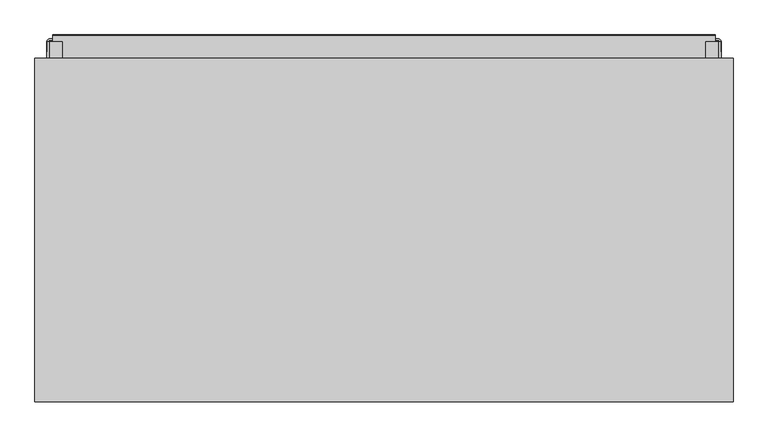
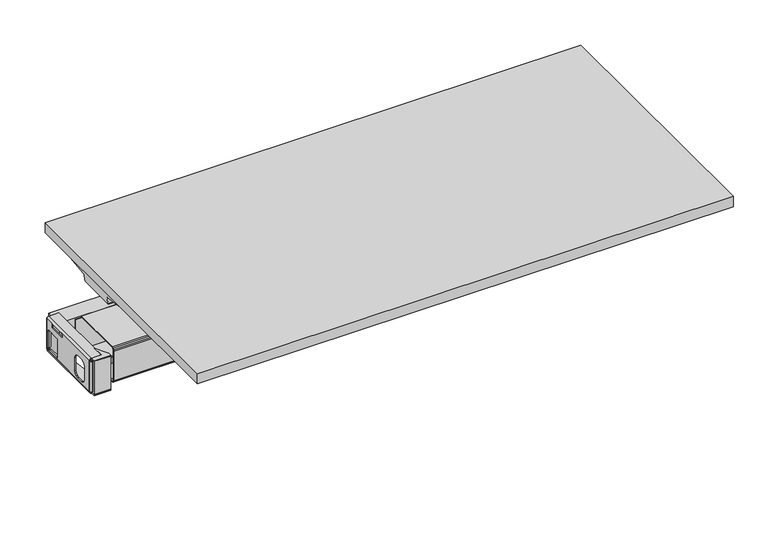
"""IFC4 building model written with IfcOpenShell, lengths in millimetres: furniture geometry."""

from ifc_helpers import new_model, si_unit, point, frame, frame_2d, origin, place, context, project, spatial, polyline, circle_curve, ellipse_curve, trimmed, segment, composite_curve, outline, extrude, faceted_brep, source, transform, mapped, element, save
from ifc_brep_helpers import plane_surface, cylinder_surface, revolved_surface, advanced_brep


def furniture_97304215(model_context):
    return source(origin(), model_context, "Body", "SolidModel", [
        extrude(outline(polyline([(-658.841779, 190.7095568), (-658.841779, 178.7817238), (-703.8625347, 178.7817238), (-703.8625347, 190.7095568), (-658.841779, 190.7095568)])), frame((0.0, 0.0, 331.8001879), z_axis=(0.0, 0.0, 1.0), x_axis=(1.0, 0.0, 0.0)), (0.0, 0.0, 1.0), 2.6573806),
        extrude(outline(polyline([(-658.841779, 184.877718), (-658.841779, 178.7817238), (-703.8625347, 178.7817238), (-703.8625347, 184.877718), (-658.841779, 184.877718)])), frame((0.0, 0.0, 334.4570388), z_axis=(0.0, 0.0, 1.0), x_axis=(1.0, 0.0, 0.0)), (0.0, 0.0, 1.0), 96.2863103),
        extrude(outline(polyline([(-677.8917495, 222.9777362), (-658.841779, 187.5346238), (-658.841779, 178.7817238), (-703.8625347, 178.7817238), (-703.8625347, 190.7095568), (-677.8917495, 190.7095568), (-677.8917495, 222.9777362)])), frame((0.0, 0.0, 430.7433491), z_axis=(0.0, 0.0, 1.0), x_axis=(1.0, 0.0, 0.0)), (0.0, 0.0, 1.0), 2.6568509),
        extrude(outline(composite_curve([segment(trimmed(circle_curve(frame_2d((-703.9203589, 190.7095591)), 5.8318411), [point((-703.9203589, 184.877718))], [point((-709.7522, 190.7095591))], False, "CARTESIAN"), True, "CONTINUOUS"), segment(polyline([(-709.7522, 190.7095591), (-707.0954605, 190.7095591)]), True, "CONTINUOUS"), segment(trimmed(circle_curve(frame_2d((-703.9204249, 190.7095955)), 3.1750357), [point((-707.0954605, 190.7095591))], [point((-703.8505628, 187.5353285))], True, "CARTESIAN"), True, "CONTINUOUS"), segment(polyline([(-703.8505628, 187.5353285), (-658.952203, 187.5353285), (-658.952203, 184.877718), (-703.9203589, 184.877718)]), True, "CONTINUOUS")], self_intersect=False)), frame((0.0, 0.0, 339.4201806), z_axis=(0.0, 0.0, 1.0), x_axis=(1.0, 0.0, 0.0)), (0.0, 0.0, 1.0), 87.8941627),
        advanced_brep(
        [(707.1037248, 190.7095568, 337.6320267), (703.870799, 190.7095568, 334.4575685), (659.8093006, 190.7095568, 334.4575685), (659.8093006, 190.7095568, 331.8001879), (703.9286255, 190.7095568, 331.8001879), (709.7604643, 190.7095568, 337.6320267), (707.1037248, 391.9061007, 337.6320267), (709.7604643, 391.9061007, 337.6320267), (703.9286255, 391.9061007, 331.8001879), (684.7848824, 391.9061007, 331.8001879), (684.7848824, 391.9061007, 334.4575685), (703.870799, 391.9061007, 334.4575685), (659.8086941, 191.4817994, 334.4575685), (659.8093006, 191.4866666, 331.8001879)],
        [
            (0, 1, circle_curve(frame((703.9287904, 190.7095568, 337.6319732), z_axis=(0.0, 1.0, 0.0), x_axis=(1.0, 0.0, 0.0)), 3.1749345)),
            (1, 2),
            (2, 3),
            (3, 4),
            (4, 5, circle_curve(frame((703.9286255, 190.7095568, 337.6320267), z_axis=(0.0, -1.0, 0.0), x_axis=(1.0, 0.0, 0.0)), 5.8318388)),
            (5, 0),
            (6, 7),
            (7, 8, circle_curve(frame((703.9286255, 391.9061007, 337.6320267), z_axis=(0.0, 1.0, 0.0), x_axis=(1.0, 0.0, 0.0)), 5.8318388)),
            (8, 9),
            (9, 10),
            (10, 11),
            (11, 6, circle_curve(frame((703.9287904, 391.9061007, 337.6319732), z_axis=(0.0, -1.0, 0.0), x_axis=(1.0, 0.0, 0.0)), 3.1749345)),
            (0, 6),
            (11, 1),
            (10, 12),
            (12, 2),
            (12, 13),
            (13, 3),
            (13, 9),
            (8, 4),
            (7, 5),
        ],
        [
            plane_surface(frame((707.1037248, 190.7095568, 337.6319732), z_axis=(0.0, -1.0, 0.0), x_axis=(0.0, 0.0, -1.0))),
            plane_surface(frame((707.1037248, 391.9061007, 337.6319732), z_axis=(0.0, 1.0, 0.0), x_axis=(0.0, 0.0, 1.0))),
            revolved_surface(polyline([(707.1037249, 391.9061007, 337.6319732), (707.1037249, 190.7095568, 337.6319732)]), (703.9287904, 391.9061007, 337.6319732), (0.0, 1.0, 0.0)),
            plane_surface(frame((703.870799, 190.7095568, 334.4575685), z_axis=(0.0, 0.0, 1.0), x_axis=(0.0, 1.0, 0.0))),
            plane_surface(frame((659.8093006, 190.7095568, 334.4575685), z_axis=(-1.0, 0.0, 0.0), x_axis=(0.0, 1.0, 0.0))),
            plane_surface(frame((659.8093006, 190.7095568, 331.8001879), z_axis=(0.0, 0.0, -1.0), x_axis=(0.0, 1.0, 0.0))),
            cylinder_surface(frame((703.9286255, 391.9061007, 337.6320267), z_axis=(0.0, -1.0, 0.0), x_axis=(1.0, 0.0, 0.0)), 5.8318388),
            plane_surface(frame((709.7604643, 190.7095568, 337.6320267), z_axis=(0.0, 0.0, 1.0), x_axis=(0.0, 1.0, 0.0))),
            plane_surface(frame((659.8086846, 191.4817238, 351.9888528), z_axis=(-0.9923246355260705, 0.1236600894713063, 0.0), x_axis=(0.0, 0.0, -1.0))),
        ],
        [
            (0, [[1, 2, 3, 4, 5, 6]]),
            (1, [[7, 8, 9, 10, 11, 12]]),
            (2, [[-1, 13, -12, 14]]),
            (3, [[-2, -14, -11, 15, 16]]),
            (4, [[-3, -16, 17, 18]]),
            (5, [[-4, -18, 19, -9, 20]]),
            (6, [[-5, -20, -8, 21]]),
            (7, [[-6, -21, -7, -13]]),
            (8, [[-10, -19, -17, -15]]),
        ],
    ),
        extrude(outline(polyline([(703.8774253, 190.7095568), (703.8774253, 178.7817238), (658.9092398, 178.7817238), (658.9092398, 190.7095568), (703.8774253, 190.7095568)])), frame((0.0, 0.0, 331.8001879), z_axis=(0.0, 0.0, 1.0), x_axis=(1.0, 0.0, 0.0)), (0.0, 0.0, 1.0), 2.6568509),
        extrude(outline(polyline([(703.8774253, 184.877718), (703.8774253, 178.7817238), (658.9092398, 178.7817238), (658.9092398, 184.877718), (703.8774253, 184.877718)])), frame((0.0, 0.0, 334.4570388), z_axis=(0.0, 0.0, 1.0), x_axis=(1.0, 0.0, 0.0)), (0.0, 0.0, 1.0), 96.2863103),
        extrude(outline(polyline([(677.9592398, 222.9777362), (677.9592398, 190.7095568), (703.8774253, 190.7095568), (703.8774253, 178.7817238), (658.9092398, 178.7817238), (658.9092398, 187.5345689), (677.9592398, 222.9777362)])), frame((0.0, 0.0, 430.7433491), z_axis=(0.0, 0.0, 1.0), x_axis=(1.0, 0.0, 0.0)), (0.0, 0.0, 1.0), 2.6568509),
        extrude(outline(composite_curve([segment(polyline([(703.9286983, 184.877718), (658.9092398, 184.877718), (658.9092398, 187.5353285), (703.8589022, 187.5353285)]), True, "CONTINUOUS"), segment(trimmed(circle_curve(frame_2d((703.9287643, 190.7095955)), 3.1750357), [point((703.8589022, 187.5353285))], [point((707.1038, 190.7095591))], True, "CARTESIAN"), True, "CONTINUOUS"), segment(polyline([(707.1038, 190.7095591), (709.7605394, 190.7095591)]), True, "CONTINUOUS"), segment(trimmed(circle_curve(frame_2d((703.9286983, 190.7095591)), 5.8318411), [point((709.7605394, 190.7095591))], [point((703.9286983, 184.877718))], False, "CARTESIAN"), True, "CONTINUOUS")], self_intersect=False)), frame((0.0, 0.0, 339.4201806), z_axis=(0.0, 0.0, 1.0), x_axis=(1.0, 0.0, 0.0)), (0.0, 0.0, 1.0), 87.8941627),
        faceted_brep([(654.3675, 229.6591159, 385.2570143), (654.3675, 260.1814489, 343.1369959), (654.3675, 267.6427576, 336.7524292), (654.3675, 277.2971731, 334.5235318), (654.3675, 356.2960604, 334.5235318), (654.3675, 356.2960604, 428.0203322), (654.3675, 355.3714008, 428.0203322), (654.3675, 355.3714008, 335.9759504), (654.3675, 277.5568227, 335.9759504), (654.3675, 268.3331679, 338.105399), (654.3675, 261.4113974, 344.0282932), (654.3675, 230.8890708, 386.1483029), (-654.3548, 229.6591159, 385.2570143), (-654.3548, 230.8890708, 386.1483029), (-654.3548, 261.4113974, 344.0282932), (-654.3548, 268.3331679, 338.105399), (-654.3548, 277.5568227, 335.9759504), (-654.3548, 355.3714008, 335.9759504), (-654.3548, 355.3714008, 428.0203322), (-654.3548, 356.2960604, 428.0203322), (-654.3548, 356.2960604, 334.5235318), (-654.3548, 277.2971731, 334.5235318), (-654.3548, 267.6427576, 336.7524292), (-654.3548, 260.1814489, 343.1369959), (305.1048242, 355.3714008, 428.0203322), (305.1048242, 355.6263248, 428.0203322), (349.5548, 355.6263248, 428.0203322), (349.5548, 355.3714008, 428.0203322), (349.5548, 355.3714008, 354.6876391), (305.1048242, 355.3714008, 354.6876391), (349.5548, 355.6263248, 354.6876391), (305.1048242, 355.6263248, 354.6876391)], [[[0, 1, 2, 3, 4, 5, 6, 7, 8, 9, 10, 11]], [[12, 13, 14, 15, 16, 17, 18, 19, 20, 21, 22, 23]], [[1, 0, 12, 23]], [[2, 1, 23, 22]], [[3, 2, 22, 21]], [[4, 3, 21, 20]], [[5, 4, 20, 19]], [[6, 5, 19, 18, 24, 25, 26, 27]], [[7, 6, 27, 28, 29, 24, 18, 17]], [[8, 7, 17, 16]], [[9, 8, 16, 15]], [[10, 9, 15, 14]], [[11, 10, 14, 13]], [[0, 11, 13, 12]], [[30, 31, 29, 28]], [[30, 28, 27, 26]], [[31, 30, 26, 25]], [[29, 31, 25, 24]]]),
        advanced_brep(
        [(-707.0954605, 190.7095568, 337.6320267), (-709.7522, 190.7095568, 337.6320267), (-703.9203612, 190.7095568, 331.8001879), (-659.7115774, 190.7095568, 331.8001879), (-659.7115774, 190.7095568, 334.4575685), (-703.8625347, 190.7095568, 334.4575685), (-707.0954605, 391.9061007, 337.6320267), (-703.8625347, 391.9061007, 334.4575685), (-684.784, 391.9061007, 334.4575685), (-684.784, 391.9061007, 331.8001879), (-703.9203612, 391.9061007, 331.8001879), (-709.7522, 391.9061007, 337.6320267)],
        [
            (0, 1),
            (1, 2, circle_curve(frame((-703.9203612, 190.7095568, 337.6320267), z_axis=(0.0, -1.0, 0.0), x_axis=(1.0, 0.0, 0.0)), 5.8318388)),
            (2, 3),
            (3, 4),
            (4, 5),
            (5, 0, circle_curve(frame((-703.9205261, 190.7095568, 337.6319732), z_axis=(0.0, 1.0, 0.0), x_axis=(1.0, 0.0, 0.0)), 3.1749345)),
            (6, 7, circle_curve(frame((-703.9205261, 391.9061007, 337.6319732), z_axis=(0.0, -1.0, 0.0), x_axis=(1.0, 0.0, 0.0)), 3.1749345)),
            (7, 8),
            (8, 9),
            (9, 10),
            (10, 11, circle_curve(frame((-703.9203612, 391.9061007, 337.6320267), z_axis=(0.0, 1.0, 0.0), x_axis=(1.0, 0.0, 0.0)), 5.8318388)),
            (11, 6),
            (5, 7),
            (6, 0),
            (4, 8),
            (2, 10),
            (9, 3),
            (1, 11),
        ],
        [
            plane_surface(frame((-709.7522, 190.7095568, 337.6320267), z_axis=(0.0, -1.0, 0.0), x_axis=(-1.0, 0.0, 0.0))),
            plane_surface(frame((-709.7522, 391.9061007, 337.6320267), z_axis=(0.0, 1.0, 0.0), x_axis=(1.0, 0.0, 0.0))),
            revolved_surface(polyline([(-700.7455916, 391.9061007, 337.6319732), (-700.7455916, 190.7095568, 337.6319732)]), (-703.9205261, 391.9061007, 337.6319732), (0.0, 1.0, 0.0)),
            plane_surface(frame((-654.3548, 190.7095568, 334.4575685), z_axis=(0.0, 0.0, 1.0), x_axis=(0.0, 1.0, 0.0))),
            plane_surface(frame((-703.9203612, 190.7095568, 331.8001879), z_axis=(0.0, 0.0, -1.0), x_axis=(0.0, 1.0, 0.0))),
            cylinder_surface(frame((-703.9203612, 391.9061007, 337.6320267), z_axis=(0.0, -1.0, 0.0), x_axis=(1.0, 0.0, 0.0)), 5.8318388),
            plane_surface(frame((-707.0954605, 190.7095568, 337.6320267), z_axis=(0.0, 0.0, 1.0), x_axis=(0.0, 1.0, 0.0))),
            plane_surface(frame((-684.784, 391.9061007, 351.9888528), z_axis=(0.9923246355260688, 0.12366008947131998, 0.0), x_axis=(0.0, 0.0, -1.0))),
        ],
        [
            (0, [[1, 2, 3, 4, 5, 6]]),
            (1, [[7, 8, 9, 10, 11, 12]]),
            (2, [[-6, 13, -7, 14]]),
            (3, [[-13, -5, 15, -8]]),
            (4, [[16, -10, 17, -3]]),
            (5, [[-2, 18, -11, -16]]),
            (6, [[-1, -14, -12, -18]]),
            (7, [[-4, -17, -9, -15]]),
        ],
    ),
        extrude(outline(polyline([(324.6251657, 427.3143433), (318.7432813, 423.6948694), (318.7432813, 418.2338656), (322.7691802, 414.2079485), (370.4292605, 414.2079485), (370.4292605, 427.3143433), (391.9061007, 427.3143433), (391.9061007, 337.6320267), (190.7095568, 337.6320267), (190.7095568, 427.3143433), (324.6251657, 427.3143433)]), holes=[polyline([(215.6713932, 357.2002), (217.37287, 350.8501879), (222.0213871, 346.2016708), (228.3713992, 344.5002121), (247.4213992, 344.5002121), (253.7713932, 346.2016708), (258.4199194, 350.8501879), (260.1213962, 357.2002), (260.1213962, 395.3002), (258.4199194, 401.6502121), (253.7713932, 406.2987292), (247.4213992, 408.0001879), (228.3713992, 408.0001879), (222.0213871, 406.2987292), (217.37287, 401.6502121), (215.6713932, 395.3002), (215.6713932, 357.2002)]), polyline([(387.8579954, 345.3251981), (387.8579954, 394.4751777), (387.3220975, 396.475201), (385.8579954, 397.9392831), (383.8579955, 398.4751879), (347.4079947, 398.4751879), (345.4079964, 397.9392831), (343.9438938, 396.475201), (343.4079958, 394.4751777), (343.4079958, 345.3251981), (343.9438938, 343.3252112), (345.4079964, 341.8610927), (347.4079947, 341.3251879), (383.8579955, 341.3251879), (385.8579954, 341.8610927), (387.3220975, 343.3252112), (387.8579954, 345.3251981)])]), frame((-709.7522, 0.0, 0.0), z_axis=(1.0, 0.0, 0.0), x_axis=(0.0, 1.0, 0.0)), (0.0, 0.0, 1.0), 2.667),
        extrude(outline(composite_curve([segment(trimmed(circle_curve(frame_2d((427.220578, -703.5629571)), 6.1899531), [point((433.4002, -703.9204363))], [point((427.3143433, -709.7522))], False, "CARTESIAN"), True, "CONTINUOUS"), segment(polyline([(427.3143433, -709.7522), (427.3143433, -707.1256748)]), True, "CONTINUOUS"), segment(trimmed(circle_curve(frame_2d((427.2937554, -703.6761426)), 3.4495937), [point((427.3143433, -707.1256748))], [point((430.7433491, -703.6761426))], True, "CARTESIAN"), True, "CONTINUOUS"), segment(polyline([(430.7433491, -703.6761426), (430.7433491, -677.8917495), (433.4002, -677.8917495), (433.4002, -703.9204363)]), True, "CONTINUOUS")], self_intersect=False)), frame((0.0, 190.7095568, 0.0), z_axis=(0.0, 1.0, 0.0), x_axis=(0.0, 0.0, 1.0)), (0.0, 0.0, 1.0), 201.1965439),
        extrude(outline(composite_curve([segment(polyline([(-703.9203589, 397.7379417), (-666.9118668, 397.7379417), (-666.9118668, 395.0803312), (-703.8505628, 395.0803312)]), True, "CONTINUOUS"), segment(trimmed(circle_curve(frame_2d((-703.9204249, 391.9060643)), 3.1750357), [point((-703.8505628, 395.0803312))], [point((-707.0954605, 391.9061007))], True, "CARTESIAN"), True, "CONTINUOUS"), segment(polyline([(-707.0954605, 391.9061007), (-709.7522, 391.9061007)]), True, "CONTINUOUS"), segment(trimmed(circle_curve(frame_2d((-703.9203589, 391.9061007)), 5.8318411), [point((-709.7522, 391.9061007))], [point((-703.9203589, 397.7379417))], False, "CARTESIAN"), True, "CONTINUOUS")], self_intersect=False)), frame((0.0, 0.0, 339.4201806), z_axis=(0.0, 0.0, 1.0), x_axis=(1.0, 0.0, 0.0)), (0.0, 0.0, 1.0), 87.8941627),
        extrude(outline(polyline([(324.6251657, 427.3143433), (318.7432813, 423.6948694), (318.7432813, 418.2338656), (322.7691802, 414.2079485), (370.4292605, 414.2079485), (370.4292605, 427.3143433), (391.9061007, 427.3143433), (391.9061007, 337.6320267), (190.7095568, 337.6320267), (190.7095568, 427.3143433), (324.6251657, 427.3143433)]), holes=[polyline([(215.6713932, 357.2002), (217.37287, 350.8501879), (222.0213871, 346.2016708), (228.3713992, 344.5002121), (247.4213992, 344.5002121), (253.7713932, 346.2016708), (258.4199194, 350.8501879), (260.1213962, 357.2002), (260.1213962, 395.3002), (258.4199194, 401.6502121), (253.7713932, 406.2987292), (247.4213992, 408.0001879), (228.3713992, 408.0001879), (222.0213871, 406.2987292), (217.37287, 401.6502121), (215.6713932, 395.3002), (215.6713932, 357.2002)]), polyline([(387.8579954, 345.3251981), (387.8579954, 394.4751777), (387.3220975, 396.475201), (385.8579954, 397.9392831), (383.8579955, 398.4751879), (347.4079947, 398.4751879), (345.4079964, 397.9392831), (343.9438938, 396.475201), (343.4079958, 394.4751777), (343.4079958, 345.3251981), (343.9438938, 343.3252112), (345.4079964, 341.8610927), (347.4079947, 341.3251879), (383.8579955, 341.3251879), (385.8579954, 341.8610927), (387.3220975, 343.3252112), (387.8579954, 345.3251981)])]), frame((707.1037248, 0.0, 0.0), z_axis=(1.0, 0.0, 0.0), x_axis=(0.0, 1.0, 0.0)), (0.0, 0.0, 1.0), 2.6568146),
        faceted_brep([(637.0137238, 208.939137, 330.5571315), (637.0137238, 218.8324284, 330.5571315), (637.0137238, 218.8324284, 331.8001879), (637.0137238, 208.8500925, 331.8001879), (637.0137238, 205.7641309, 332.6270633), (637.0137238, 203.4398723, 334.95134), (637.0137238, 202.5891249, 338.1263279), (637.0137238, 202.5891249, 423.6821522), (637.0137238, 203.4398723, 426.8571401), (637.0137238, 205.7641309, 429.1814168), (637.0137238, 208.939137, 430.0321643), (637.0137238, 355.3701336, 430.0321643), (637.0137238, 355.3701336, 431.2513486), (637.0137238, 208.939137, 431.2513486), (637.0137238, 205.1545388, 430.2372753), (637.0137238, 202.3431721, 427.3143433), (637.0137238, 201.3699406, 423.6821522), (637.0137238, 201.3699406, 338.1263279), (637.0137238, 202.3757642, 334.3499793), (637.0137238, 205.1545388, 331.5712048), (-637.0066, 208.939137, 330.5571315), (-637.0066, 205.1545388, 331.5712048), (-637.0066, 202.3757642, 334.3499793), (-637.0066, 201.3699406, 338.1263279), (-637.0066, 201.3699406, 423.6821522), (-637.0066, 202.3431721, 427.3143433), (-637.0066, 205.1545388, 430.2372753), (-637.0066, 208.939137, 431.2513486), (-637.0066, 355.3701336, 431.2513486), (-637.0066, 355.3701336, 430.0321643), (-637.0066, 208.939137, 430.0321643), (-637.0066, 205.7641309, 429.1814168), (-637.0066, 203.4398723, 426.8571401), (-637.0066, 202.5891249, 423.6821522), (-637.0066, 202.5891249, 338.1263279), (-637.0066, 203.4398723, 334.95134), (-637.0066, 205.7641309, 332.6270633), (-637.0066, 208.8500925, 331.8001879), (-637.0066, 218.8324284, 331.8001879), (-637.0066, 218.8324284, 330.5571315), (305.1048242, 355.3701336, 430.0321643), (305.1048242, 342.9263233, 430.0321643), (313.7644701, 302.1858459, 430.0321643), (316.1792209, 297.0074192, 430.0321643), (320.6196476, 293.4116358, 430.0321643), (326.1869313, 292.1263218, 430.0321643), (328.4726929, 292.1263218, 430.0321643), (334.040013, 293.4116358, 430.0321643), (338.4804033, 297.0074192, 430.0321643), (340.8951542, 302.1858459, 430.0321643), (349.5548, 342.9263233, 430.0321643), (349.5548, 355.3701336, 430.0321643), (-349.5548, 342.4921488, 430.0321643), (-340.8951542, 301.7516713, 430.0321643), (-338.4804033, 296.5732447, 430.0321643), (-334.0399767, 292.9774612, 430.0321643), (-328.4726929, 291.6921472, 430.0321643), (-326.1869313, 291.6921472, 430.0321643), (-320.6196112, 292.9774612, 430.0321643), (-316.1792209, 296.5732447, 430.0321643), (-313.7644701, 301.7516713, 430.0321643), (-305.1048242, 342.4921488, 430.0321643), (-305.1048242, 355.1921503, 430.0321643), (-349.5548, 355.1921503, 430.0321643), (349.5548, 355.3701336, 431.2513486), (305.1048242, 355.3701336, 431.2513486), (349.5548, 342.9263233, 431.2513486), (340.8951542, 302.1858459, 431.2513486), (338.4804033, 297.0074192, 431.2513486), (334.040013, 293.4116358, 431.2513486), (328.4726929, 292.1263218, 431.2513486), (326.1869313, 292.1263218, 431.2513486), (320.6196476, 293.4116358, 431.2513486), (316.1792209, 297.0074192, 431.2513486), (313.7644701, 302.1858459, 431.2513486), (305.1048242, 342.9263233, 431.2513486), (-340.8951542, 301.7516713, 431.2513486), (-349.5548, 342.4921488, 431.2513486), (-349.5548, 355.1921503, 431.2513486), (-305.1048242, 355.1921503, 431.2513486), (-305.1048242, 342.4921488, 431.2513486), (-313.7644701, 301.7516713, 431.2513486), (-316.1792209, 296.5732447, 431.2513486), (-320.6196112, 292.9774612, 431.2513486), (-326.1869313, 291.6921472, 431.2513486), (-328.4726929, 291.6921472, 431.2513486), (-334.0399767, 292.9774612, 431.2513486), (-338.4804033, 296.5732447, 431.2513486)], [[[0, 1, 2, 3, 4, 5, 6, 7, 8, 9, 10, 11, 12, 13, 14, 15, 16, 17, 18, 19]], [[20, 21, 22, 23, 24, 25, 26, 27, 28, 29, 30, 31, 32, 33, 34, 35, 36, 37, 38, 39]], [[1, 0, 20, 39]], [[2, 1, 39, 38]], [[3, 2, 38, 37]], [[4, 3, 37, 36]], [[5, 4, 36, 35]], [[6, 5, 35, 34]], [[7, 6, 34, 33]], [[8, 7, 33, 32]], [[9, 8, 32, 31]], [[10, 9, 31, 30]], [[11, 10, 30, 29, 40, 41, 42, 43, 44, 45, 46, 47, 48, 49, 50, 51], [52, 53, 54, 55, 56, 57, 58, 59, 60, 61, 62, 63]], [[12, 11, 51, 64]], [[29, 28, 65, 40]], [[13, 12, 64, 66, 67, 68, 69, 70, 71, 72, 73, 74, 75, 65, 28, 27], [76, 77, 78, 79, 80, 81, 82, 83, 84, 85, 86, 87]], [[14, 13, 27, 26]], [[15, 14, 26, 25]], [[16, 15, 25, 24]], [[17, 16, 24, 23]], [[18, 17, 23, 22]], [[19, 18, 22, 21]], [[0, 19, 21, 20]], [[52, 77, 76, 53]], [[53, 76, 87, 54]], [[54, 87, 86, 55]], [[55, 86, 85, 56]], [[56, 85, 84, 57]], [[57, 84, 83, 58]], [[58, 83, 82, 59]], [[59, 82, 81, 60]], [[60, 81, 80, 61]], [[61, 80, 79, 62]], [[62, 79, 78, 63]], [[77, 52, 63, 78]], [[41, 75, 74, 42]], [[42, 74, 73, 43]], [[43, 73, 72, 44]], [[44, 72, 71, 45]], [[45, 71, 70, 46]], [[46, 70, 69, 47]], [[47, 69, 68, 48]], [[48, 68, 67, 49]], [[49, 67, 66, 50]], [[50, 66, 64, 51]], [[75, 41, 40, 65]]]),
        extrude(outline(composite_curve([segment(trimmed(circle_curve(frame_2d((404.6156538, 429.6956024)), 1.5557462), [point((404.6156538, 431.2513486))], [point((406.1714, 429.6956024))], False, "CARTESIAN"), True, "CONTINUOUS"), segment(polyline([(406.1714, 429.6956024), (406.1714, 331.8001879), (356.1334, 337.7916714), (356.1334, 431.2513486), (404.6156538, 431.2513486)]), True, "CONTINUOUS")], self_intersect=False)), frame((-697.4586, 0.0, 0.0), z_axis=(1.0, 0.0, 0.0), x_axis=(0.0, 1.0, 0.0)), (0.0, 0.0, 1.0), 1394.9860253),
        extrude(outline(composite_curve([segment(polyline([(433.4002, 703.8774253), (433.4002, 677.9592398), (430.7433491, 677.9592398), (430.7433491, 703.6331315)]), True, "CONTINUOUS"), segment(trimmed(circle_curve(frame_2d((427.2937554, 703.6331315)), 3.4495937), [point((430.7433491, 703.6331315))], [point((427.3143433, 707.0826637))], True, "CARTESIAN"), True, "CONTINUOUS"), segment(polyline([(427.3143433, 707.0826637), (427.3143433, 709.7091889)]), True, "CONTINUOUS"), segment(trimmed(circle_curve(frame_2d((427.220578, 703.519946)), 6.1899531), [point((427.3143433, 709.7091889))], [point((433.4002, 703.8774253))], False, "CARTESIAN"), True, "CONTINUOUS")], self_intersect=False)), frame((0.0, 190.7095568, 0.0), z_axis=(0.0, 1.0, 0.0), x_axis=(0.0, 0.0, 1.0)), (0.0, 0.0, 1.0), 201.1965439),
        extrude(outline(composite_curve([segment(trimmed(circle_curve(frame_2d((703.9286232, 391.9061007)), 5.8318411), [point((703.9286232, 397.7379417))], [point((709.7604643, 391.9061007))], False, "CARTESIAN"), True, "CONTINUOUS"), segment(polyline([(709.7604643, 391.9061007), (707.1037248, 391.9061007)]), True, "CONTINUOUS"), segment(trimmed(circle_curve(frame_2d((703.9286892, 391.9060643)), 3.1750357), [point((707.1037248, 391.9061007))], [point((703.8588271, 395.0803312))], True, "CARTESIAN"), True, "CONTINUOUS"), segment(polyline([(703.8588271, 395.0803312), (666.9201311, 395.0803312), (666.9201311, 397.7379417), (703.9286232, 397.7379417)]), True, "CONTINUOUS")], self_intersect=False)), frame((0.0, 0.0, 339.4201806), z_axis=(0.0, 0.0, 1.0), x_axis=(1.0, 0.0, 0.0)), (0.0, 0.0, 1.0), 87.8941627),
        extrude(outline(polyline([(324.6251657, 427.3143433), (318.7432813, 423.6948694), (318.7432813, 418.2338656), (322.7691802, 414.2079485), (370.4292605, 414.2079485), (370.4292605, 427.3143433), (391.9061007, 427.3143433), (391.9061007, 337.6320267), (190.7095568, 337.6320267), (190.7095568, 427.3143433), (324.6251657, 427.3143433)]), holes=[polyline([(215.6713932, 357.2002), (217.37287, 350.8501879), (222.0213871, 346.2016708), (228.3713992, 344.5002121), (247.4213992, 344.5002121), (253.7713932, 346.2016708), (258.4199194, 350.8501879), (260.1213962, 357.2002), (260.1213962, 395.3002), (258.4199194, 401.6502121), (253.7713932, 406.2987292), (247.4213992, 408.0001879), (228.3713992, 408.0001879), (222.0213871, 406.2987292), (217.37287, 401.6502121), (215.6713932, 395.3002), (215.6713932, 357.2002)]), polyline([(387.8579954, 345.3251981), (387.8579954, 394.4751777), (387.3220975, 396.475201), (385.8579954, 397.9392831), (383.8579955, 398.4751879), (347.4079947, 398.4751879), (345.4079964, 397.9392831), (343.9438938, 396.475201), (343.4079958, 394.4751777), (343.4079958, 345.3251981), (343.9438938, 343.3252112), (345.4079964, 341.8610927), (347.4079947, 341.3251879), (383.8579955, 341.3251879), (385.8579954, 341.8610927), (387.3220975, 343.3252112), (387.8579954, 345.3251981)])]), frame((707.1037248, 0.0, 0.0), z_axis=(1.0, 0.0, 0.0), x_axis=(0.0, 1.0, 0.0)), (0.0, 0.0, 1.0), 2.6568146),
        faceted_brep([(-538.5773962, 86.794354, 622.0870648), (-538.5773962, 81.6954464, 622.688627), (-538.5773962, 76.8670348, 624.4650084), (-538.5773962, 72.5710397, 627.3308218), (-538.5773962, 69.0512328, 631.1414904), (-538.5773962, 43.9476052, 665.7838526), (-538.5773962, 44.6861048, 666.3190068), (-538.5773962, 69.7897233, 631.6766321), (-538.5773962, 73.1630276, 628.0245295), (-538.5773962, 77.2802181, 625.2780401), (-538.5773962, 81.907661, 623.5755641), (-538.5773962, 86.794354, 622.9990731), (-538.5773962, 236.2729752, 622.9990731), (-538.5773962, 241.1596319, 623.5755641), (-538.5773962, 245.7870929, 625.2780401), (-538.5773962, 249.9043016, 628.0245295), (-538.5773962, 253.277615, 631.6766321), (-538.5773962, 278.4437387, 666.4052536), (-538.5773962, 301.1373703, 703.1651011), (-538.5773962, 302.2062248, 703.1651011), (-538.5773962, 279.1822202, 665.8701118), (-538.5773962, 254.0160964, 631.1414904), (-538.5773962, 250.4962804, 627.3308218), (-538.5773962, 246.2002853, 624.4650084), (-538.5773962, 241.3718555, 622.6885906), (-538.5773962, 236.2729752, 622.0870648), (538.7619573, 86.794354, 622.0870648), (538.7619573, 236.2729752, 622.0870648), (538.7619573, 241.3718555, 622.6885906), (538.7619573, 246.2002853, 624.4650084), (538.7619573, 250.4962804, 627.3308218), (538.7619573, 254.0160964, 631.1414904), (538.7619573, 279.1822202, 665.8701118), (538.7619573, 302.9625354, 704.390196), (538.7619573, 301.8936807, 704.390196), (538.7619573, 278.4437387, 666.4052536), (538.7619573, 253.277615, 631.6766321), (538.7619573, 249.9043016, 628.0245295), (538.7619573, 245.7870929, 625.2780401), (538.7619573, 241.1596319, 623.5755641), (538.7619573, 236.2729752, 622.9990731), (538.7619573, 86.794354, 622.9990731), (538.7619573, 81.907661, 623.5755641), (538.7619573, 77.2802181, 625.2780401), (538.7619573, 73.1630276, 628.0245295), (538.7619573, 69.7897233, 631.6766321), (538.7619573, 44.6861048, 666.3190068), (538.7619573, 43.9476052, 665.7838526), (538.7619573, 69.0512328, 631.1414904), (538.7619573, 72.5710397, 627.3308218), (538.7619573, 76.8670348, 624.4650084), (538.7619573, 81.6954464, 622.688627), (469.3287306, 278.5068259, 666.4923122), (468.4019993, 278.4437387, 666.4052536), (464.9673689, 278.2099267, 666.0825989), (97.8762341, 278.2099267, 666.0825989), (84.3911169, 277.6183944, 665.266299), (80.6274527, 276.4379407, 663.6373024), (76.7784871, 274.5844012, 661.0794643), (66.2573996, 259.2078037, 639.8601442), (62.408434, 257.3542643, 637.3023062), (58.0170596, 255.9769851, 635.4016954), (53.2522341, 255.1288373, 634.2312727), (48.2969407, 254.8424703, 633.8360933), (-54.4117723, 254.8424703, 633.8360933), (-59.3670657, 255.1288373, 634.2312727), (-64.1319638, 255.9769851, 635.4016954), (-68.5232656, 257.3542643, 637.3023062), (-72.3723039, 259.2078037, 639.8601442), (-82.8933187, 274.5844012, 661.0794643), (-86.742357, 276.4379407, 663.6373024), (-92.3919689, 278.2099267, 666.0825989), (-467.8231429, 278.2099267, 666.0825989), (-471.2577733, 278.4437387, 666.4052536), (-472.1845046, 278.5068259, 666.4923122), (-476.3142671, 279.2428779, 667.699724), (-479.9928943, 280.4410708, 669.6405939), (-483.025122, 282.0284924, 672.2119486), (-503.2901641, 295.4427521, 693.9407822), (-505.311625, 296.5010182, 695.6549944), (-507.7640916, 297.2998434, 696.9489561), (-510.5172666, 297.7967875, 697.7539215), (-513.4248653, 297.9653815, 698.0270153), (510.5690912, 297.9653815, 698.0270153), (507.6614926, 297.7967875, 697.7539215), (504.9083176, 297.2998434, 696.9489561), (502.455851, 296.5010182, 695.6549944), (500.4343901, 295.4427521, 693.9407822), (480.169348, 282.0284924, 672.2119486), (477.1371203, 280.4410708, 669.6405939), (473.4584931, 279.2428779, 667.699724), (-513.4248653, 299.0342354, 698.0270153), (-510.5172666, 298.8656414, 697.7539215), (-507.7640916, 298.3686972, 696.9489561), (-505.311625, 297.569872, 695.6549944), (-503.2901641, 296.5116057, 693.9407822), (-483.025122, 283.0973434, 672.2119486), (-479.9928943, 281.5099215, 669.6405939), (-476.3142671, 280.3117285, 667.699724), (-472.1845046, 279.5663347, 666.4923122), (-467.8231429, 279.3133987, 666.0825989), (-92.3919689, 279.3133987, 666.0825989), (-91.9010389, 279.1822202, 665.8701118), (94.3659891, 279.1822202, 665.8701118), (97.8762341, 279.3133987, 666.0825989), (464.9673689, 279.3133987, 666.0825989), (469.3287306, 279.5663347, 666.4923122), (473.4584931, 280.3117285, 667.699724), (477.1371203, 281.5099215, 669.6405939), (480.169348, 283.0973434, 672.2119486), (500.4343901, 296.5116057, 693.9407822), (502.455851, 297.569872, 695.6549944), (504.9083176, 298.3686972, 696.9489561), (507.6614926, 298.8656414, 697.7539215), (510.5690912, 299.0342354, 698.0270153), (-86.742357, 277.564213, 663.6373024), (-82.8933187, 275.7106736, 661.0794643), (-72.3723039, 260.334076, 639.8601442), (-68.5232656, 258.4805366, 637.3023062), (-64.1319638, 257.1032575, 635.4016954), (-59.3670657, 256.2551097, 634.2312727), (-54.4117723, 255.9687427, 633.8360933), (48.2969407, 255.9687427, 633.8360933), (53.2522341, 256.2551097, 634.2312727), (58.0170596, 257.1032575, 635.4016954), (62.408434, 258.4805366, 637.3023062), (66.2573996, 260.334076, 639.8601442), (76.7784871, 275.7106736, 661.0794643), (80.6274527, 277.564213, 663.6373024), (84.3911169, 278.7446667, 665.266299)], [[[0, 1, 2, 3, 4, 5, 6, 7, 8, 9, 10, 11, 12, 13, 14, 15, 16, 17, 18, 19, 20, 21, 22, 23, 24, 25]], [[26, 27, 28, 29, 30, 31, 32, 33, 34, 35, 36, 37, 38, 39, 40, 41, 42, 43, 44, 45, 46, 47, 48, 49, 50, 51]], [[1, 0, 26, 51]], [[2, 1, 51, 50]], [[3, 2, 50, 49]], [[4, 3, 49, 48]], [[5, 4, 48, 47]], [[6, 5, 47, 46]], [[7, 6, 46, 45]], [[8, 7, 45, 44]], [[9, 8, 44, 43]], [[10, 9, 43, 42]], [[11, 10, 42, 41]], [[12, 11, 41, 40]], [[13, 12, 40, 39]], [[14, 13, 39, 38]], [[15, 14, 38, 37]], [[16, 15, 37, 36]], [[22, 21, 31, 30]], [[23, 22, 30, 29]], [[24, 23, 29, 28]], [[25, 24, 28, 27]], [[0, 25, 27, 26]], [[17, 16, 36, 35, 52, 53, 54, 55, 56, 57, 58, 59, 60, 61, 62, 63, 64, 65, 66, 67, 68, 69, 70, 71, 72, 73, 74]], [[18, 17, 74, 75, 76, 77, 78, 79, 80, 81, 82]], [[35, 34, 83, 84, 85, 86, 87, 88, 89, 90, 52]], [[20, 19, 91, 92, 93, 94, 95, 96, 97, 98, 99, 100, 101, 102]], [[33, 32, 103, 104, 105, 106, 107, 108, 109, 110, 111, 112, 113, 114]], [[21, 20, 102, 115, 116, 117, 118, 119, 120, 121, 122, 123, 124, 125, 126, 127, 128, 129, 103, 32, 31]], [[100, 72, 71, 101]], [[129, 56, 55, 104, 103]], [[104, 55, 54, 105]], [[105, 54, 53, 52, 106]], [[106, 52, 90, 107]], [[107, 90, 89, 108]], [[108, 89, 88, 109]], [[109, 88, 87, 110]], [[110, 87, 86, 111]], [[111, 86, 85, 112]], [[112, 85, 84, 113]], [[113, 84, 83, 114]], [[91, 82, 81, 92]], [[92, 81, 80, 93]], [[93, 80, 79, 94]], [[94, 79, 78, 95]], [[95, 78, 77, 96]], [[96, 77, 76, 97]], [[97, 76, 75, 98]], [[98, 75, 74, 99]], [[72, 100, 99, 74, 73]], [[101, 71, 70, 115, 102]], [[115, 70, 69, 116]], [[116, 69, 68, 117]], [[117, 68, 67, 118]], [[118, 67, 66, 119]], [[119, 66, 65, 120]], [[120, 65, 64, 121]], [[121, 64, 63, 122]], [[122, 63, 62, 123]], [[123, 62, 61, 124]], [[124, 61, 60, 125]], [[125, 60, 59, 126]], [[126, 59, 58, 127]], [[127, 58, 57, 128]], [[56, 129, 128, 57]], [[114, 83, 34, 33]], [[82, 91, 19, 18]]]),
        extrude(outline(polyline([(735.076, 356.743), (735.076, -366.395), (-735.076, -366.395), (-735.076, 356.743), (735.076, 356.743)])), frame((0.0, 0.0, 707.009), z_axis=(0.0, 0.0, 1.0), x_axis=(1.0, 0.0, 0.0)), (0.0, 0.0, 1.0), 29.591),
        advanced_brep(
        [(-718.7406297, 194.2506702, 658.5915733), (-553.0122138, 194.2506702, 658.5915733), (-567.3924181, 192.0222169, 655.9442785), (-716.2518591, 192.0222169, 655.9442785), (-718.9625278, 194.259656, 658.8276054), (-721.3619089, 194.9036827, 675.7443054), (-538.5773962, 194.9036827, 675.7443054), (-538.5773962, 194.5556965, 666.6037253), (-541.4075093, 194.4745058, 664.4710821), (-541.5501644, 194.3968397, 662.4310191), (-722.2185362, 200.3707181, 681.7839076), (-538.5773962, 200.3707181, 681.7839076), (-724.7393767, 314.9419225, 699.5569507), (-660.5243442, 314.9419225, 699.5569507), (-538.5773962, 234.1372, 687.0219877), (-724.8128152, 318.7179275, 700.0747243), (-666.2229255, 318.7179275, 700.0747243), (-725.4871296, 320.2281839, 704.8289399), (-723.7021288, 317.6512888, 707.009), (-664.6132011, 317.6512888, 707.009), (-725.4871296, -38.7453839, 704.8289399), (-724.8128152, -37.2351275, 700.0747243), (-666.2229255, -37.2351275, 700.0747243), (-664.6132011, -36.1684888, 707.009), (-723.7021288, -36.1684888, 707.009), (-724.7393767, -33.4591225, 699.5569507), (-660.5243442, -33.4591225, 699.5569507), (-722.2185362, 81.1120819, 681.7839076), (-538.5773962, 81.1120819, 681.7839076), (-538.5773962, 47.3456, 687.0219877), (-721.3619089, 86.5791173, 675.7443054), (-538.5773962, 86.5791173, 675.7443054), (-718.9625278, 87.223144, 658.8276054), (-718.7406297, 87.2321298, 658.5915733), (-553.0122138, 87.2321298, 658.5915733), (-541.5501644, 87.0859603, 662.4310191), (-541.4075093, 87.0082942, 664.4710821), (-538.5773962, 86.9271035, 666.6037253), (-716.2518591, 89.4605831, 655.9442785), (-567.3924181, 89.4605831, 655.9442785), (-538.5773962, 47.3456, 707.009), (-538.5773962, 234.1372, 707.009)],
        [
            (0, 1),
            (1, 2, ellipse_curve(frame((-577.2936465, 271.2884009, 750.1086722), z_axis=(0.0, 0.7650318638532662, -0.6439924279750482), x_axis=(0.0, 0.6439924279750482, 0.7650318638532662)), 123.7641411, 94.6835116)),
            (2, 3),
            (3, 0),
            (0, 4),
            (4, 5),
            (5, 6),
            (6, 7),
            (7, 8),
            (8, 9),
            (9, 1, ellipse_curve(frame((-577.2936465, 197.7347686, 750.1086722), z_axis=(0.0, 0.999276106683639, -0.03804290487316255), x_axis=(0.0, 0.03804290487316397, 0.999276106683639)), 94.752102, 94.6835116)),
            (5, 10, ellipse_curve(frame((-721.3119691, 201.3622409, 675.3922075), z_axis=(-0.9900906714849635, 0.0, -0.1404295632637729), x_axis=(-0.14042956326377312, 0.0, 0.9900906714849635)), 6.5328852, 6.4681487)),
            (10, 11),
            (11, 6, circle_curve(frame((-538.5773962, 201.3622409, 675.3922075), z_axis=(1.0, 0.0, 0.0), x_axis=(0.0, 1.0, 0.0)), 6.4681487)),
            (10, 12),
            (12, 13),
            (13, 14),
            (14, 11),
            (12, 15),
            (15, 16),
            (16, 13),
            (15, 17, ellipse_curve(frame((-725.2730772, 316.7408111, 703.3197755), z_axis=(0.9900906714849635, 0.0, 0.1404295632637729), x_axis=(0.14042956326377312, 0.0, -0.9900906714849635)), 3.8379455, 3.7999141)),
            (17, 18, ellipse_curve(frame((-726.722811, 316.7408111, 703.3197755), z_axis=(0.7737284588433065, 0.0, -0.6335173809580615), x_axis=(0.6335173809580615, 0.0, 0.7737284588433065)), 4.9111727, 3.7999141)),
            (18, 19),
            (19, 16, ellipse_curve(frame((-663.239148, 316.7408111, 703.3197755), z_axis=(-0.5523637579769161, -0.8336031902971694, 0.0), x_axis=(0.8336031902971693, -0.552363757976916, 0.0)), 6.8793689, 3.7999141)),
            (20, 21, ellipse_curve(frame((-725.2730772, -35.2580111, 703.3197755), z_axis=(0.9900906714849635, 0.0, 0.1404295632637729), x_axis=(0.14042956326377312, 0.0, -0.9900906714849635)), 3.8379455, 3.7999141)),
            (21, 22),
            (22, 23, ellipse_curve(frame((-663.239148, -35.2580111, 703.3197755), z_axis=(-0.5523637579749654, 0.8336031902984621, 0.0), x_axis=(0.8336031902984621, 0.5523637579749654, 0.0)), 6.8793689, 3.7999141)),
            (23, 24),
            (24, 20, ellipse_curve(frame((-726.722811, -35.2580111, 703.3197755), z_axis=(0.7737284588433065, 0.0, -0.6335173809580615), x_axis=(0.6335173809580615, 0.0, 0.7737284588433065)), 4.9111727, 3.7999141)),
            (21, 25),
            (25, 26),
            (26, 22),
            (27, 28),
            (28, 29),
            (29, 26),
            (25, 27),
            (27, 30, ellipse_curve(frame((-721.3119691, 80.1205591, 675.3922075), z_axis=(-0.9900906714849635, 0.0, -0.1404295632637729), x_axis=(-0.14042956326377312, 0.0, 0.9900906714849635)), 6.5328852, 6.4681487)),
            (30, 31),
            (31, 28, circle_curve(frame((-538.5773962, 80.1205591, 675.3922075), z_axis=(1.0, 0.0, 0.0), x_axis=(0.0, 1.0, 0.0)), 6.4681487)),
            (30, 32),
            (32, 33),
            (33, 34),
            (34, 35, ellipse_curve(frame((-577.2936465, 83.7480314, 750.1086722), z_axis=(0.0, -0.9992761066836363, -0.03804290487323539), x_axis=(0.0, 0.03804290487323121, -0.9992761066836364)), 94.752102, 94.6835116)),
            (35, 36),
            (36, 37),
            (37, 31),
            (33, 38),
            (38, 39),
            (39, 34, ellipse_curve(frame((-577.2936465, 10.1943991, 750.1086722), z_axis=(0.0, -0.7650318638534733, -0.643992427974802), x_axis=(0.0, 0.643992427974802, -0.7650318638534732)), 123.7641411, 94.6835116)),
            (4, 32),
            (20, 17),
            (24, 18),
            (23, 40),
            (40, 41),
            (41, 19),
            (37, 7),
            (14, 41),
            (40, 29),
            (36, 8),
            (35, 9),
            (39, 2),
            (38, 3),
        ],
        [
            plane_surface(frame((-741.7773962, 192.0222169, 655.9442785), z_axis=(0.0, 0.7650318638532662, -0.6439924279750482), x_axis=(1.0, 0.0, 0.0))),
            plane_surface(frame((-741.7773962, 194.2506702, 658.5915733), z_axis=(0.0, 0.999276106683639, -0.03804290487316255), x_axis=(1.0, 0.0, 0.0))),
            revolved_surface(polyline([(-722.2293793154885, 207.8303896, 675.3922075), (-538.5773962, 207.8303896, 675.3922075)]), (-741.7773962, 201.3622409, 675.3922075), (-1.0, 0.0, 0.0)),
            plane_surface(frame((-741.7773962, 200.3707181, 681.7839076), z_axis=(0.0, 0.153293135871396, -0.9881807600306302), x_axis=(1.0, 0.0, 0.0))),
            plane_surface(frame((-741.7773962, 314.9419225, 699.5569507), z_axis=(0.0, 0.13585085469026903, -0.9907292996979162), x_axis=(1.0, 0.0, 0.0))),
            cylinder_surface(frame((-741.7773962, 316.7408111, 703.3197755), z_axis=(1.0, 0.0, 0.0), x_axis=(0.0, 1.0, 0.0)), 3.7999141),
            cylinder_surface(frame((-741.7773962, -35.2580111, 703.3197755), z_axis=(1.0, 0.0, 0.0), x_axis=(0.0, 1.0, 0.0)), 3.7999141),
            plane_surface(frame((-741.7773962, -37.2351275, 700.0747243), z_axis=(0.0, -0.13585085468791205, -0.9907292996982394), x_axis=(1.0, 0.0, 0.0))),
            plane_surface(frame((-741.7773962, -33.4591225, 699.5569507), z_axis=(0.0, -0.1532931358714066, -0.9881807600306285), x_axis=(1.0, 0.0, 0.0))),
            revolved_surface(polyline([(-722.2293793154885, 86.5887078, 675.3922075), (-538.5773962, 86.5887078, 675.3922075)]), (-741.7773962, 80.1205591, 675.3922075), (-1.0, 0.0, 0.0)),
            plane_surface(frame((-741.7773962, 86.5791173, 675.7443054), z_axis=(0.0, -0.9992761066836363, -0.03804290487323539), x_axis=(1.0, 0.0, 0.0))),
            plane_surface(frame((-741.7773962, 87.2321298, 658.5915733), z_axis=(0.0, -0.7650318638534733, -0.643992427974802), x_axis=(1.0, 0.0, 0.0))),
            plane_surface(frame((-718.9625278, 331.2414, 658.8276054), z_axis=(-0.9900906714849635, 0.0, -0.1404295632637729), x_axis=(0.0, -1.0, 0.0))),
            plane_surface(frame((-725.4871296, 331.2414, 704.8289399), z_axis=(-0.7737284588433065, 0.0, 0.6335173809580615), x_axis=(0.0, -1.0, 0.0))),
            plane_surface(frame((-723.7021288, 331.2414, 707.009), z_axis=(0.0, 0.0, 1.0), x_axis=(0.0, -1.0, 0.0))),
            plane_surface(frame((-538.5773962, 331.2414, 707.009), z_axis=(1.0, 0.0, 0.0), x_axis=(0.0, -1.0, 0.0))),
            plane_surface(frame((-538.5773962, 331.2414, 666.6037253), z_axis=(0.6018150231516275, 0.0, -0.7986355100476099), x_axis=(0.0, -1.0, 0.0))),
            plane_surface(frame((-541.4075093, 331.2414, 664.4710821), z_axis=(0.9975640502599595, 0.0, -0.06975647374219093), x_axis=(0.0, -1.0, 0.0))),
            cylinder_surface(frame((-577.2936465, 331.2414, 750.1086722), z_axis=(0.0, 1.0, 0.0), x_axis=(1.0, 0.0, 0.0)), 94.6835116),
            plane_surface(frame((-567.3924181, 331.2414, 655.9442785), z_axis=(0.0, 0.0, -1.0), x_axis=(0.0, -1.0, 0.0))),
            plane_surface(frame((-716.2518591, 331.2414, 655.9442785), z_axis=(-0.7285846064196699, 0.0, -0.6849558170336936), x_axis=(0.0, -1.0, 0.0))),
            plane_surface(frame((-685.1228017, 331.2414, 707.009), z_axis=(0.5523637579769161, 0.8336031902971694, 0.0), x_axis=(0.0, 0.0, -1.0))),
            plane_surface(frame((-538.5773962, 47.3456, 707.009), z_axis=(0.5523637579749654, -0.8336031902984621, 0.0), x_axis=(0.0, 0.0, -1.0))),
        ],
        [
            (0, [[1, 2, 3, 4]]),
            (1, [[-1, 5, 6, 7, 8, 9, 10, 11]]),
            (2, [[-7, 12, 13, 14]]),
            (3, [[-13, 15, 16, 17, 18]]),
            (4, [[19, 20, 21, -16]]),
            (5, [[22, 23, 24, 25, -20]]),
            (6, [[26, 27, 28, 29, 30]]),
            (7, [[31, 32, 33, -27]]),
            (8, [[34, 35, 36, -32, 37]]),
            (9, [[-34, 38, 39, 40]]),
            (10, [[-39, 41, 42, 43, 44, 45, 46, 47]]),
            (11, [[-43, 48, 49, 50]]),
            (12, [[51, -41, -38, -37, -31, -26, 52, -22, -19, -15, -12, -6]]),
            (13, [[-52, -30, 53, -23]]),
            (14, [[-53, -29, 54, 55, 56, -24]]),
            (15, [[57, -8, -14, -18, 58, -55, 59, -35, -40, -47]]),
            (16, [[-57, -46, 60, -9]]),
            (17, [[-60, -45, 61, -10]]),
            (18, [[-61, -44, -50, 62, -2, -11]]),
            (19, [[-62, -49, 63, -3]]),
            (20, [[-51, -5, -4, -63, -48, -42]]),
            (21, [[-56, -58, -17, -21, -25]]),
            (22, [[-54, -28, -33, -36, -59]]),
        ],
    ),
        advanced_brep(
        [(553.0122138, 194.2506702, 658.5915733), (718.7406297, 194.2506702, 658.5915733), (716.2518591, 192.0222169, 655.9442785), (567.3924181, 192.0222169, 655.9442785), (541.5501644, 194.3968397, 662.4310191), (541.4075093, 194.4745058, 664.4710821), (538.7619573, 194.5504018, 666.4646485), (538.7619573, 194.9036827, 675.7443054), (721.3619089, 194.9036827, 675.7443054), (718.9625278, 194.259656, 658.8276054), (538.7619573, 200.3707181, 681.7839076), (722.2185362, 200.3707181, 681.7839076), (538.7619573, 234.1303953, 687.0209321), (660.5570453, 314.9419225, 699.5569507), (724.7393767, 314.9419225, 699.5569507), (724.8128152, 318.7179275, 700.0747243), (666.2480509, 318.7179275, 700.0747243), (725.4871296, 320.2281839, 704.8289399), (664.6404665, 317.6512888, 707.009), (723.7021288, 317.6512888, 707.009), (724.8128152, -37.2351275, 700.0747243), (725.4871296, -38.7453839, 704.8289399), (723.7021288, -36.1684888, 707.009), (664.6404665, -36.1684888, 707.009), (666.2480509, -37.2351275, 700.0747243), (724.7393767, -33.4591225, 699.5569507), (660.5570453, -33.4591225, 699.5569507), (538.7619573, 81.1120819, 681.7839076), (722.2185362, 81.1120819, 681.7839076), (538.7619573, 47.3524047, 687.0209321), (538.7619573, 86.5791173, 675.7443054), (721.3619089, 86.5791173, 675.7443054), (538.7619573, 86.9323982, 666.4646485), (541.4075093, 87.0082942, 664.4710821), (541.5501644, 87.0859603, 662.4310191), (553.0122138, 87.2321298, 658.5915733), (718.7406297, 87.2321298, 658.5915733), (718.9625278, 87.223144, 658.8276054), (567.3924181, 89.4605831, 655.9442785), (716.2518591, 89.4605831, 655.9442785), (538.7619573, 234.1303953, 707.009), (538.7619573, 47.3524047, 707.009)],
        [
            (0, 1),
            (1, 2),
            (2, 3),
            (3, 0, ellipse_curve(frame((577.2936465, 271.2884009, 750.1086722), z_axis=(0.0, 0.7650318638532565, -0.6439924279750596), x_axis=(0.0, -0.6439924279750596, -0.7650318638532564)), 123.7641411, 94.6835116)),
            (0, 4, ellipse_curve(frame((577.2936465, 197.7347686, 750.1086722), z_axis=(0.0, 0.9992761066836392, -0.03804290487315862), x_axis=(0.0, -0.03804290487315623, -0.9992761066836393)), 94.752102, 94.6835116)),
            (4, 5),
            (5, 6),
            (6, 7),
            (7, 8),
            (8, 9),
            (9, 1),
            (7, 10, circle_curve(frame((538.7619573, 201.3622409, 675.3922075), z_axis=(-1.0, 0.0, 0.0), x_axis=(0.0, 1.0, 0.0)), 6.4681487)),
            (10, 11),
            (11, 8, ellipse_curve(frame((721.3119691, 201.3622409, 675.3922075), z_axis=(0.9900906714849659, 0.0, -0.1404295632637567), x_axis=(-0.1404295632637562, 0.0, -0.9900906714849659)), 6.5328852, 6.4681487)),
            (10, 12),
            (12, 13),
            (13, 14),
            (14, 11),
            (15, 14),
            (13, 16),
            (16, 15),
            (17, 15, ellipse_curve(frame((725.2730772, 316.7408111, 703.3197755), z_axis=(-0.9900906714849659, 0.0, 0.1404295632637567), x_axis=(0.1404295632637562, 0.0, 0.9900906714849659)), 3.8379455, 3.7999141)),
            (16, 18, ellipse_curve(frame((663.26824, 316.7408111, 703.3197755), z_axis=(0.5528743936295206, -0.8332646067539351, 0.0), x_axis=(0.833264606753935, 0.5528743936295207, 0.0)), 6.8730151, 3.7999141)),
            (18, 19),
            (19, 17, ellipse_curve(frame((726.722811, 316.7408111, 703.3197755), z_axis=(-0.7737284588399557, 0.0, -0.633517380962154), x_axis=(0.6335173809621538, 0.0, -0.7737284588399556)), 4.9111727, 3.7999141)),
            (20, 21, ellipse_curve(frame((725.2730772, -35.2580111, 703.3197755), z_axis=(-0.9900906714849659, 0.0, 0.1404295632637567), x_axis=(0.1404295632637562, 0.0, 0.9900906714849659)), 3.8379455, 3.7999141)),
            (21, 22, ellipse_curve(frame((726.722811, -35.2580111, 703.3197755), z_axis=(-0.7737284588399557, 0.0, -0.633517380962154), x_axis=(0.6335173809621538, 0.0, -0.7737284588399556)), 4.9111727, 3.7999141)),
            (22, 23),
            (23, 24, ellipse_curve(frame((663.26824, -35.2580111, 703.3197755), z_axis=(0.5528743936295036, 0.8332646067539462, 0.0), x_axis=(0.8332646067539463, -0.5528743936295036, 0.0)), 6.8730151, 3.7999141)),
            (24, 20),
            (25, 20),
            (24, 26),
            (26, 25),
            (27, 28),
            (28, 25),
            (26, 29),
            (29, 27),
            (27, 30, circle_curve(frame((538.7619573, 80.1205591, 675.3922075), z_axis=(-1.0, 0.0, 0.0), x_axis=(0.0, 1.0, 0.0)), 6.4681487)),
            (30, 31),
            (31, 28, ellipse_curve(frame((721.3119691, 80.1205591, 675.3922075), z_axis=(0.9900906714849659, 0.0, -0.1404295632637567), x_axis=(-0.1404295632637562, 0.0, -0.9900906714849659)), 6.5328852, 6.4681487)),
            (30, 32),
            (32, 33),
            (33, 34),
            (34, 35, ellipse_curve(frame((577.2936465, 83.7480314, 750.1086722), z_axis=(0.0, -0.9992761066836363, -0.03804290487323539), x_axis=(0.0, -0.03804290487323121, 0.9992761066836364)), 94.752102, 94.6835116)),
            (35, 36),
            (36, 37),
            (37, 31),
            (35, 38, ellipse_curve(frame((577.2936465, 10.1943991, 750.1086722), z_axis=(0.0, -0.7650318638534733, -0.643992427974802), x_axis=(0.0, -0.643992427974802, 0.7650318638534732)), 123.7641411, 94.6835116)),
            (38, 39),
            (39, 36),
            (37, 9),
            (17, 21),
            (19, 22),
            (18, 40),
            (40, 41),
            (41, 23),
            (6, 32),
            (29, 41),
            (40, 12),
            (5, 33),
            (4, 34),
            (3, 38),
            (2, 39),
        ],
        [
            plane_surface(frame((538.7619573, 192.0222169, 655.9442785), z_axis=(0.0, 0.7650318638532565, -0.6439924279750596), x_axis=(1.0, 0.0, 0.0))),
            plane_surface(frame((538.7619573, 194.2506702, 658.5915733), z_axis=(0.0, 0.9992761066836392, -0.03804290487315862), x_axis=(1.0, 0.0, 0.0))),
            revolved_surface(polyline([(538.7619573, 207.8303896, 675.3922075), (722.2293793154884, 207.8303896, 675.3922075)]), (538.7619573, 201.3622409, 675.3922075), (-1.0, 0.0, 0.0)),
            plane_surface(frame((538.7619573, 200.3707181, 681.7839076), z_axis=(0.0, 0.15329313587140309, -0.988180760030629), x_axis=(1.0, 0.0, 0.0))),
            plane_surface(frame((538.7619573, 314.9419225, 699.5569507), z_axis=(0.0, 0.1358508546900816, -0.9907292996979419), x_axis=(1.0, 0.0, 0.0))),
            cylinder_surface(frame((538.7619573, 316.7408111, 703.3197755), z_axis=(1.0, 0.0, 0.0), x_axis=(0.0, 1.0, 0.0)), 3.7999141),
            cylinder_surface(frame((538.7619573, -35.2580111, 703.3197755), z_axis=(1.0, 0.0, 0.0), x_axis=(0.0, 1.0, 0.0)), 3.7999141),
            plane_surface(frame((538.7619573, -37.2351275, 700.0747243), z_axis=(0.0, -0.1358508546877776, -0.9907292996982578), x_axis=(1.0, 0.0, 0.0))),
            plane_surface(frame((538.7619573, -33.4591225, 699.5569507), z_axis=(0.0, -0.15329313587141113, -0.9881807600306277), x_axis=(1.0, 0.0, 0.0))),
            revolved_surface(polyline([(538.7619573, 86.5887078, 675.3922075), (722.2293793154884, 86.5887078, 675.3922075)]), (538.7619573, 80.1205591, 675.3922075), (-1.0, 0.0, 0.0)),
            plane_surface(frame((538.7619573, 86.5791173, 675.7443054), z_axis=(0.0, -0.9992761066836363, -0.03804290487323539), x_axis=(1.0, 0.0, 0.0))),
            plane_surface(frame((538.7619573, 87.2321298, 658.5915733), z_axis=(0.0, -0.7650318638534733, -0.643992427974802), x_axis=(1.0, 0.0, 0.0))),
            plane_surface(frame((718.9625278, -49.7586, 658.8276054), z_axis=(0.9900906714849659, 0.0, -0.1404295632637567), x_axis=(0.0, 1.0, 0.0))),
            plane_surface(frame((725.4871296, -49.7586, 704.8289399), z_axis=(0.7737284588399557, 0.0, 0.633517380962154), x_axis=(0.0, 1.0, 0.0))),
            plane_surface(frame((723.7021288, -49.7586, 707.009), z_axis=(0.0, 0.0, 1.0), x_axis=(0.0, 1.0, 0.0))),
            plane_surface(frame((538.7619573, -49.7586, 707.009), z_axis=(-1.0, 0.0, 0.0), x_axis=(0.0, 1.0, 0.0))),
            plane_surface(frame((538.7619573, -49.7586, 666.4646485), z_axis=(-0.6018150231540825, 0.0, -0.7986355100457599), x_axis=(0.0, 1.0, 0.0))),
            plane_surface(frame((541.4075093, -49.7586, 664.4710821), z_axis=(-0.9975640502598242, 0.0, -0.06975647374412697), x_axis=(0.0, 1.0, 0.0))),
            cylinder_surface(frame((577.2936465, -49.7586, 750.1086722), z_axis=(0.0, -1.0, 0.0), x_axis=(-1.0, 0.0, 0.0)), 94.6835116),
            plane_surface(frame((567.3924181, -49.7586, 655.9442785), z_axis=(0.0, 0.0, -1.0), x_axis=(0.0, 1.0, 0.0))),
            plane_surface(frame((716.2518591, -49.7586, 655.9442785), z_axis=(0.7285846064222696, 0.0, -0.6849558170309284), x_axis=(0.0, 1.0, 0.0))),
            plane_surface(frame((538.7619573, 234.1303953, 707.009), z_axis=(-0.5528743936295206, 0.8332646067539351, 0.0), x_axis=(0.0, 0.0, -1.0))),
            plane_surface(frame((685.1228017, -49.7586, 707.009), z_axis=(-0.5528743936295036, -0.8332646067539462, 0.0), x_axis=(0.0, 0.0, -1.0))),
        ],
        [
            (0, [[1, 2, 3, 4]]),
            (1, [[-1, 5, 6, 7, 8, 9, 10, 11]]),
            (2, [[-9, 12, 13, 14]]),
            (3, [[-13, 15, 16, 17, 18]]),
            (4, [[19, -17, 20, 21]]),
            (5, [[22, -21, 23, 24, 25]]),
            (6, [[26, 27, 28, 29, 30]]),
            (7, [[31, -30, 32, 33]]),
            (8, [[34, 35, -33, 36, 37]]),
            (9, [[-34, 38, 39, 40]]),
            (10, [[-39, 41, 42, 43, 44, 45, 46, 47]]),
            (11, [[-45, 48, 49, 50]]),
            (12, [[51, -10, -14, -18, -19, -22, 52, -26, -31, -35, -40, -47]]),
            (13, [[-52, -25, 53, -27]]),
            (14, [[-53, -24, 54, 55, 56, -28]]),
            (15, [[57, -41, -38, -37, 58, -55, 59, -15, -12, -8]]),
            (16, [[-57, -7, 60, -42]]),
            (17, [[-60, -6, 61, -43]]),
            (18, [[-61, -5, -4, 62, -48, -44]]),
            (19, [[-62, -3, 63, -49]]),
            (20, [[-51, -46, -50, -63, -2, -11]]),
            (21, [[-54, -23, -20, -16, -59]]),
            (22, [[-56, -58, -36, -32, -29]]),
        ],
    ),
    ])


if __name__ == "__main__":
    model = new_model("IFC4")
    model_context = context("Model", 3, world=origin())
    ifc_project = project(units=[si_unit("LENGTHUNIT", "METRE", prefix="MILLI")], contexts=[model_context])
    site = spatial("IfcSite", under=ifc_project)
    building = spatial("IfcBuilding", under=site)
    placement = place(None, origin())
    furniture_shape = furniture_97304215(model_context)
    element("IfcFurniture", 1, at=placement, inside=building, context=model_context, shape_type="MappedRepresentation", body=[
        mapped(furniture_shape, transform((0.0, 0.0, 0.0), x_axis=(1.0, 0.0, 0.0), y_axis=(0.0, 1.0, 0.0), z_axis=(0.0, 0.0, 1.0))),
    ])
    save(model, "model.ifc")
